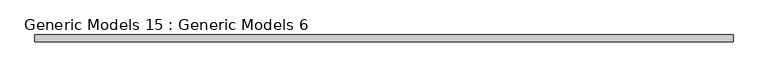
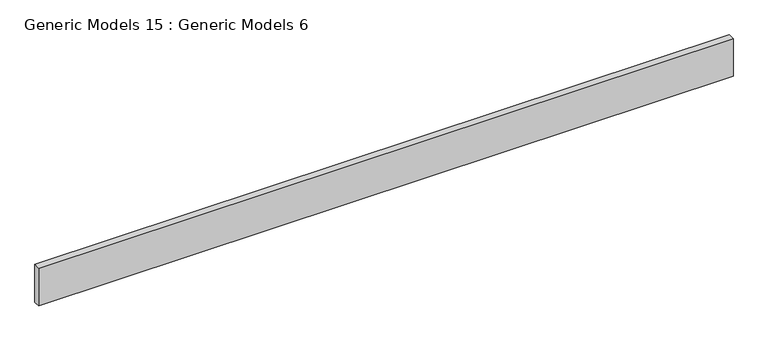
"""IFC4 building model written with IfcOpenShell, lengths in millimetres: proxy geometry, Generic Models 15 : Generic Models 6."""

from ifc_helpers import new_model, si_unit, frame, origin, place, context, project, spatial, polyline, outline, extrude, source, transform, mapped, element, save


def generic_models_15_generic_models_6_871fd7bd(model_context):
    return source(origin(), model_context, "Body", "SweptSolid", [
        extrude(outline(polyline([(-9888.9274592, -46931.3327609), (-9888.9274592, -46905.9327609), (-7234.6274592, -46905.9327609), (-7234.6274592, -46931.3327609), (-9888.9274592, -46931.3327609)])), frame((0.0, 0.0, 29009.975), z_axis=(0.0, 0.0, 1.0), x_axis=(1.0, 0.0, 0.0)), (0.0, 0.0, 1.0), 152.4),
    ])


if __name__ == "__main__":
    model = new_model("IFC4")
    model_context = context("Model", 3, world=origin())
    ifc_project = project(units=[si_unit("LENGTHUNIT", "METRE", prefix="MILLI")], contexts=[model_context])
    site = spatial("IfcSite", under=ifc_project)
    building = spatial("IfcBuilding", under=site)
    placement = place(None, origin())
    generic_models_15_generic_models_6_shape = generic_models_15_generic_models_6_871fd7bd(model_context)
    element("IfcBuildingElementProxy", 1, Name="Generic Models 15 : Generic Models 6", ObjectType="Generic Models 15 : Generic Models 6", at=placement, inside=building, context=model_context, shape_type="MappedRepresentation", body=[
        mapped(generic_models_15_generic_models_6_shape, transform((0.0, 0.0, 0.0), x_axis=(1.0, 0.0, 0.0), y_axis=(0.0, 1.0, 0.0), z_axis=(0.0, 0.0, 1.0))),
    ])
    save(model, "model.ifc")
